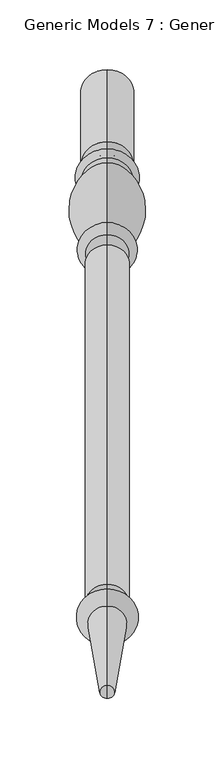
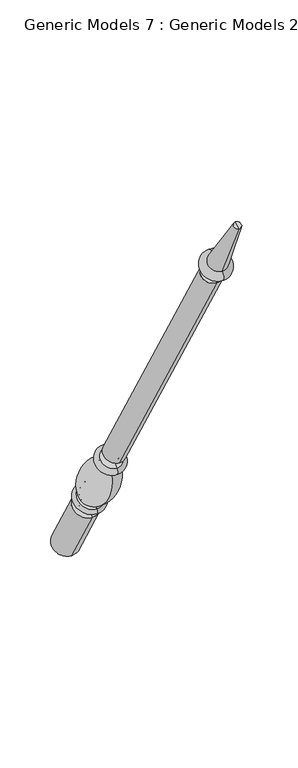
"""IFC4 building model written with IfcOpenShell, lengths in millimetres: proxy geometry, Generic Models 7 : Generic Models 2."""

from ifc_helpers import new_model, si_unit, point, frame, origin, place, context, project, spatial, polyline, circle_curve, ellipse_curve, trimmed, source, transform, mapped, element, save
from ifc_brep_helpers import plane_surface, cylinder_surface, revolved_surface, advanced_brep


def generic_models_7_generic_models_2_111973ee(model_context):
    return source(origin(), model_context, "Body", "AdvancedBrep", [
        advanced_brep(
        [(-1721.2684498, 1861.1601077, 610.5814746), (-1721.2684498, 1828.1645398, 591.5314746), (-1721.2684498, 1880.0576333, 501.65), (-1721.2684498, 1913.0532012, 520.7), (-1721.2684498, 1853.6896456, 623.5206944), (-1721.2684498, 1820.6940777, 604.4706944), (-1721.2684498, 1849.5864045, 630.6277165), (-1721.2684498, 1816.5908366, 611.5777165), (-1721.2684498, 1845.9182158, 636.9812058), (-1721.2684498, 1812.9226479, 617.9312058), (-1721.2684498, 1801.1569262, 703.055156), (-1721.2684498, 1778.0815733, 689.7325947), (-1721.2684498, 1799.8610191, 710.4046105), (-1721.2684498, 1772.3647125, 694.5296105), (-1721.2684498, 1794.1590629, 720.2806883), (-1721.2684498, 1766.6627563, 704.4056883), (-1721.2684498, 1786.7732215, 733.0733408), (-1721.2684498, 1759.276915, 717.1983408), (-1721.2684498, 1542.2982215, 1156.516462), (-1721.2684498, 1514.801915, 1140.641462), (-1721.2684498, 1537.2251467, 1153.5875209), (-1721.2684498, 1519.8749898, 1143.5704031), (-1721.2684498, 1531.1910418, 1164.0388972), (-1721.2684498, 1513.8408848, 1154.0217794), (-1721.2684498, 1534.7597609, 1166.0992981), (-1721.2684498, 1510.2721658, 1151.9613785), (-1721.2684498, 1526.5847892, 1180.2587644), (-1721.2684498, 1502.0971941, 1166.1208448), (-1721.2684498, 1469.4852742, 1261.8053229), (-1721.2684498, 1460.0255603, 1256.3437545), (-1721.2684498, 1464.7554173, 1259.0745387), (-1721.2684498, 1896.5554173, 511.175)],
        [
            (0, 1, circle_curve(frame((-1721.2684498, 1844.6623237, 601.0564746), z_axis=(0.0, 0.5000000000000062, -0.8660254037844352), x_axis=(0.0, -0.8660254037844352, -0.5000000000000062)), 19.05)),
            (1, 2),
            (2, 3, circle_curve(frame((-1721.2684498, 1896.5554173, 511.175), z_axis=(0.0, -0.5000000000000062, 0.8660254037844352), x_axis=(0.0, -0.8660254037844352, -0.5000000000000062)), 19.05)),
            (3, 0),
            (1, 0, circle_curve(frame((-1721.2684498, 1844.6623237, 601.0564746), z_axis=(0.0, 0.5000000000000062, -0.8660254037844352), x_axis=(0.0, -0.8660254037844352, -0.5000000000000062)), 19.05)),
            (3, 2, circle_curve(frame((-1721.2684498, 1896.5554173, 511.175), z_axis=(0.0, -0.5000000000000062, 0.8660254037844352), x_axis=(0.0, -0.8660254037844352, -0.5000000000000062)), 19.05)),
            (4, 5, circle_curve(frame((-1721.2684498, 1837.1918617, 613.9956944), z_axis=(0.0, 0.5000000000000062, -0.8660254037844352), x_axis=(0.0, -0.8660254037844352, -0.5000000000000062)), 19.05)),
            (5, 1, circle_curve(frame((-1721.2684498, 1821.8102989, 596.4889985), z_axis=(-1.0, 0.0, 0.0), x_axis=(0.0, 0.8660254037844352, 0.5000000000000062)), 8.0593685)),
            (0, 4, circle_curve(frame((-1721.2684498, 1860.0438865, 618.5631706), z_axis=(-1.0, 0.0, 0.0), x_axis=(0.0, -0.8660254037844352, -0.5000000000000062)), 8.0593685)),
            (5, 4, circle_curve(frame((-1721.2684498, 1837.1918617, 613.9956944), z_axis=(0.0, 0.5000000000000062, -0.8660254037844352), x_axis=(0.0, -0.8660254037844352, -0.5000000000000062)), 19.05)),
            (6, 7, circle_curve(frame((-1721.2684498, 1833.0886205, 621.1027165), z_axis=(0.0, 0.5000000000000062, -0.8660254037844352), x_axis=(0.0, -0.8660254037844352, -0.5000000000000062)), 19.05)),
            (7, 5, circle_curve(frame((-1721.2684498, 1818.6424572, 608.0242055), z_axis=(1.0, 0.0, 0.0), x_axis=(0.0, 0.8660254037844352, 0.5000000000000062)), 4.1032411)),
            (4, 6, circle_curve(frame((-1721.2684498, 1851.638025, 627.0742055), z_axis=(1.0, 0.0, 0.0), x_axis=(0.0, -0.8660254037844352, -0.5000000000000062)), 4.1032411)),
            (7, 6, circle_curve(frame((-1721.2684498, 1833.0886205, 621.1027165), z_axis=(0.0, 0.5000000000000062, -0.8660254037844352), x_axis=(0.0, -0.8660254037844352, -0.5000000000000062)), 19.05)),
            (8, 9, circle_curve(frame((-1721.2684498, 1829.4204318, 627.4562058), z_axis=(0.0, 0.5000000000000062, -0.8660254037844352), x_axis=(0.0, -0.8660254037844352, -0.5000000000000062)), 19.05)),
            (9, 7, circle_curve(frame((-1721.2684498, 1813.3633086, 613.9499618), z_axis=(-1.0, 0.0, 0.0), x_axis=(0.0, 0.8660254037844352, 0.5000000000000062)), 4.0055568)),
            (6, 8, circle_curve(frame((-1721.2684498, 1849.1457438, 634.6089605), z_axis=(-1.0, 0.0, 0.0), x_axis=(0.0, -0.8660254037844352, -0.5000000000000062)), 4.0055568)),
            (9, 8, circle_curve(frame((-1721.2684498, 1829.4204318, 627.4562058), z_axis=(0.0, 0.5000000000000062, -0.8660254037844352), x_axis=(0.0, -0.8660254037844352, -0.5000000000000062)), 19.05)),
            (10, 11, circle_curve(frame((-1721.2684498, 1789.6192497, 696.3938754), z_axis=(0.0, 0.5000000000000062, -0.8660254037844352), x_axis=(0.0, -0.8660254037844352, -0.5000000000000062)), 13.3225612)),
            (11, 9, circle_curve(frame((-1721.2684498, 1854.1299968, 682.2806335), z_axis=(1.0, 0.0, 0.0), x_axis=(0.0, 0.8660254037844352, 0.5000000000000062)), 76.412659)),
            (8, 10, circle_curve(frame((-1721.2684498, 1769.5863022, 633.4693086), z_axis=(1.0, 0.0, 0.0), x_axis=(0.0, -0.8660254037844352, -0.5000000000000062)), 76.412659)),
            (11, 10, circle_curve(frame((-1721.2684498, 1789.6192497, 696.3938754), z_axis=(0.0, 0.5000000000000062, -0.8660254037844352), x_axis=(0.0, -0.8660254037844352, -0.5000000000000062)), 13.3225612)),
            (12, 13, circle_curve(frame((-1721.2684498, 1786.1128658, 702.4671105), z_axis=(0.0, 0.5000000000000062, -0.8660254037844352), x_axis=(0.0, -0.8660254037844352, -0.5000000000000062)), 15.875)),
            (13, 11, circle_curve(frame((-1721.2684498, 1773.4069828, 689.9666873), z_axis=(-1.0, 0.0, 0.0), x_axis=(0.0, 0.8660254037844352, 0.5000000000000062)), 4.6804482)),
            (10, 12, circle_curve(frame((-1721.2684498, 1803.2914914, 707.2205164), z_axis=(-1.0, 0.0, 0.0), x_axis=(0.0, -0.8660254037844352, -0.5000000000000062)), 4.6804482)),
            (13, 12, circle_curve(frame((-1721.2684498, 1786.1128658, 702.4671105), z_axis=(0.0, 0.5000000000000062, -0.8660254037844352), x_axis=(0.0, -0.8660254037844352, -0.5000000000000062)), 15.875)),
            (14, 15, circle_curve(frame((-1721.2684498, 1780.4109096, 712.3431883), z_axis=(0.0, 0.5000000000000062, -0.8660254037844352), x_axis=(0.0, -0.8660254037844352, -0.5000000000000062)), 15.875)),
            (15, 13, circle_curve(frame((-1721.2684498, 1769.5137344, 699.4676494), z_axis=(1.0, 0.0, 0.0), x_axis=(0.0, 0.8660254037844352, 0.5000000000000062)), 5.7019562)),
            (12, 14, circle_curve(frame((-1721.2684498, 1797.010041, 715.3426494), z_axis=(1.0, 0.0, 0.0), x_axis=(0.0, -0.8660254037844352, -0.5000000000000062)), 5.7019562)),
            (15, 14, circle_curve(frame((-1721.2684498, 1780.4109096, 712.3431883), z_axis=(0.0, 0.5000000000000062, -0.8660254037844352), x_axis=(0.0, -0.8660254037844352, -0.5000000000000062)), 15.875)),
            (16, 17, circle_curve(frame((-1721.2684498, 1773.0250683, 725.1358408), z_axis=(0.0, 0.5000000000000062, -0.8660254037844352), x_axis=(0.0, -0.8660254037844352, -0.5000000000000062)), 15.875)),
            (17, 15, circle_curve(frame((-1721.2684498, 1762.9698356, 710.8020145), z_axis=(-1.0, 0.0, 0.0), x_axis=(0.0, 0.8660254037844352, 0.5000000000000062)), 7.3858413)),
            (14, 16, circle_curve(frame((-1721.2684498, 1790.4661422, 726.6770145), z_axis=(-1.0, 0.0, 0.0), x_axis=(0.0, -0.8660254037844352, -0.5000000000000062)), 7.3858413)),
            (17, 16, circle_curve(frame((-1721.2684498, 1773.0250683, 725.1358408), z_axis=(0.0, 0.5000000000000062, -0.8660254037844352), x_axis=(0.0, -0.8660254037844352, -0.5000000000000062)), 15.875)),
            (18, 19, circle_curve(frame((-1721.2684498, 1528.5500683, 1148.578962), z_axis=(0.0, 0.5000000000000062, -0.8660254037844352), x_axis=(0.0, -0.8660254037844352, -0.5000000000000062)), 15.875)),
            (19, 17),
            (16, 18),
            (19, 18, circle_curve(frame((-1721.2684498, 1528.5500683, 1148.578962), z_axis=(0.0, 0.5000000000000062, -0.8660254037844352), x_axis=(0.0, -0.8660254037844352, -0.5000000000000062)), 15.875)),
            (20, 21, circle_curve(frame((-1721.2684498, 1528.5500683, 1148.578962), z_axis=(0.0, 0.5000000000000062, -0.8660254037844352), x_axis=(0.0, -0.8660254037844352, -0.5000000000000062)), 10.0171178)),
            (21, 19),
            (18, 20),
            (21, 20, circle_curve(frame((-1721.2684498, 1528.5500683, 1148.578962), z_axis=(0.0, 0.5000000000000062, -0.8660254037844352), x_axis=(0.0, -0.8660254037844352, -0.5000000000000062)), 10.0171178)),
            (22, 23, circle_curve(frame((-1721.2684498, 1522.5159633, 1159.0303383), z_axis=(0.0, 0.5000000000000062, -0.8660254037844352), x_axis=(0.0, -0.8660254037844352, -0.5000000000000062)), 10.0171178)),
            (23, 21, circle_curve(frame((-1721.2684498, 1515.3020818, 1147.8978177), z_axis=(-1.0, 0.0, 0.0), x_axis=(0.0, 0.8660254037844352, 0.5000000000000062)), 6.295872)),
            (20, 22, circle_curve(frame((-1721.2684498, 1535.7639497, 1159.7114826), z_axis=(-1.0, 0.0, 0.0), x_axis=(0.0, -0.8660254037844352, -0.5000000000000062)), 6.295872)),
            (23, 22, circle_curve(frame((-1721.2684498, 1522.5159633, 1159.0303383), z_axis=(0.0, 0.5000000000000062, -0.8660254037844352), x_axis=(0.0, -0.8660254037844352, -0.5000000000000062)), 10.0171178)),
            (24, 25, circle_curve(frame((-1721.2684498, 1522.5159633, 1159.0303383), z_axis=(0.0, 0.5000000000000062, -0.8660254037844352), x_axis=(0.0, -0.8660254037844352, -0.5000000000000062)), 14.1379196)),
            (25, 23),
            (22, 24),
            (25, 24, circle_curve(frame((-1721.2684498, 1522.5159633, 1159.0303383), z_axis=(0.0, 0.5000000000000062, -0.8660254037844352), x_axis=(0.0, -0.8660254037844352, -0.5000000000000062)), 14.1379196)),
            (26, 27, circle_curve(frame((-1721.2684498, 1514.3409916, 1173.1898046), z_axis=(0.0, 0.5000000000000062, -0.8660254037844352), x_axis=(0.0, -0.8660254037844352, -0.5000000000000062)), 14.1379196)),
            (27, 25, circle_curve(frame((-1721.2684498, 1506.1846799, 1159.0411116), z_axis=(1.0, 0.0, 0.0), x_axis=(0.0, 0.8660254037844352, 0.5000000000000062)), 8.1749717)),
            (24, 26, circle_curve(frame((-1721.2684498, 1530.672275, 1173.1790313), z_axis=(1.0, 0.0, 0.0), x_axis=(0.0, -0.8660254037844352, -0.5000000000000062)), 8.1749717)),
            (27, 26, circle_curve(frame((-1721.2684498, 1514.3409916, 1173.1898046), z_axis=(0.0, 0.5000000000000062, -0.8660254037844352), x_axis=(0.0, -0.8660254037844352, -0.5000000000000062)), 14.1379196)),
            (28, 29, circle_curve(frame((-1721.2684498, 1464.7554173, 1259.0745387), z_axis=(0.0, 0.5000000000000062, -0.8660254037844352), x_axis=(0.0, -0.8660254037844352, -0.5000000000000062)), 5.4615684)),
            (29, 27),
            (26, 28),
            (29, 28, circle_curve(frame((-1721.2684498, 1464.7554173, 1259.0745387), z_axis=(0.0, 0.5000000000000062, -0.8660254037844352), x_axis=(0.0, -0.8660254037844352, -0.5000000000000062)), 5.4615684)),
            (30, 29),
            (28, 30),
            (2, 31),
            (31, 3),
        ],
        [
            cylinder_surface(frame((-1721.2684498, 1464.7554173, 1259.0745387), z_axis=(0.0, -0.5000000000000062, 0.8660254037844352), x_axis=(0.0, -0.8660254037844352, -0.5000000000000062)), 19.05),
            revolved_surface(trimmed(ellipse_curve(frame((-1721.2684498, 1821.8102989, 596.4889985), z_axis=(1.0, 0.0, 0.0), x_axis=(0.0, 0.8660254037844352, 0.5000000000000062)), 8.0593685, 8.0593685), [point((-1721.2684498, 1828.1645398, 591.5314746))], [point((-1721.2684498, 1820.6940777, 604.4706944))], True, "CARTESIAN"), (-1721.2684498, 1464.7554173, 1259.0745387), (0.0, -0.5000000000000062, 0.8660254037844352)),
            revolved_surface(trimmed(ellipse_curve(frame((-1721.2684498, 1818.6424572, 608.0242055), z_axis=(-1.0, 0.0, 0.0), x_axis=(0.0, 0.8660254037844352, 0.5000000000000062)), 4.1032411, 4.1032411), [point((-1721.2684498, 1820.6940777, 604.4706944))], [point((-1721.2684498, 1816.5908366, 611.5777165))], True, "CARTESIAN"), (-1721.2684498, 1464.7554173, 1259.0745387), (0.0, -0.5000000000000062, 0.8660254037844352)),
            revolved_surface(trimmed(ellipse_curve(frame((-1721.2684498, 1813.3633086, 613.9499618), z_axis=(1.0, 0.0, 0.0), x_axis=(0.0, 0.8660254037844352, 0.5000000000000062)), 4.0055568, 4.0055568), [point((-1721.2684498, 1816.5908366, 611.5777165))], [point((-1721.2684498, 1812.9226479, 617.9312058))], True, "CARTESIAN"), (-1721.2684498, 1464.7554173, 1259.0745387), (0.0, -0.5000000000000062, 0.8660254037844352)),
            revolved_surface(trimmed(ellipse_curve(frame((-1721.2684498, 1854.1299968, 682.2806335), z_axis=(-1.0, 0.0, 0.0), x_axis=(0.0, 0.8660254037844352, 0.5000000000000062)), 76.412659, 76.412659), [point((-1721.2684498, 1812.9226479, 617.9312058))], [point((-1721.2684498, 1778.0815733, 689.7325947))], True, "CARTESIAN"), (-1721.2684498, 1464.7554173, 1259.0745387), (0.0, -0.5000000000000062, 0.8660254037844352)),
            revolved_surface(trimmed(ellipse_curve(frame((-1721.2684498, 1773.4069828, 689.9666873), z_axis=(1.0, 0.0, 0.0), x_axis=(0.0, 0.8660254037844352, 0.5000000000000062)), 4.6804482, 4.6804482), [point((-1721.2684498, 1778.0815733, 689.7325947))], [point((-1721.2684498, 1772.3647125, 694.5296105))], True, "CARTESIAN"), (-1721.2684498, 1464.7554173, 1259.0745387), (0.0, -0.5000000000000062, 0.8660254037844352)),
            revolved_surface(trimmed(ellipse_curve(frame((-1721.2684498, 1769.5137344, 699.4676494), z_axis=(-1.0, 0.0, 0.0), x_axis=(0.0, 0.8660254037844352, 0.5000000000000062)), 5.7019562, 5.7019562), [point((-1721.2684498, 1772.3647125, 694.5296105))], [point((-1721.2684498, 1766.6627563, 704.4056883))], True, "CARTESIAN"), (-1721.2684498, 1464.7554173, 1259.0745387), (0.0, -0.5000000000000062, 0.8660254037844352)),
            revolved_surface(trimmed(ellipse_curve(frame((-1721.2684498, 1762.9698356, 710.8020145), z_axis=(1.0, 0.0, 0.0), x_axis=(0.0, 0.8660254037844352, 0.5000000000000062)), 7.3858413, 7.3858413), [point((-1721.2684498, 1766.6627563, 704.4056883))], [point((-1721.2684498, 1759.276915, 717.1983408))], True, "CARTESIAN"), (-1721.2684498, 1464.7554173, 1259.0745387), (0.0, -0.5000000000000062, 0.8660254037844352)),
            cylinder_surface(frame((-1721.2684498, 1464.7554173, 1259.0745387), z_axis=(0.0, -0.5000000000000062, 0.8660254037844352), x_axis=(0.0, -0.8660254037844352, -0.5000000000000062)), 15.875),
            plane_surface(frame((-1721.2684498, 1528.5500683, 1148.578962), z_axis=(0.0, -0.5000000000000062, 0.8660254037844352), x_axis=(0.0, -0.8660254037844352, -0.5000000000000062))),
            revolved_surface(trimmed(ellipse_curve(frame((-1721.2684498, 1515.3020818, 1147.8978177), z_axis=(1.0, 0.0, 0.0), x_axis=(0.0, 0.8660254037844352, 0.5000000000000062)), 6.295872, 6.295872), [point((-1721.2684498, 1519.8749898, 1143.5704031))], [point((-1721.2684498, 1513.8408848, 1154.0217794))], True, "CARTESIAN"), (-1721.2684498, 1464.7554173, 1259.0745387), (0.0, -0.5000000000000062, 0.8660254037844352)),
            plane_surface(frame((-1721.2684498, 1522.5159633, 1159.0303383), z_axis=(0.0, 0.5000000000000062, -0.8660254037844352), x_axis=(0.0, -0.8660254037844352, -0.5000000000000062))),
            revolved_surface(trimmed(ellipse_curve(frame((-1721.2684498, 1506.1846799, 1159.0411116), z_axis=(-1.0, 0.0, 0.0), x_axis=(0.0, 0.8660254037844352, 0.5000000000000062)), 8.1749717, 8.1749717), [point((-1721.2684498, 1510.2721658, 1151.9613785))], [point((-1721.2684498, 1502.0971941, 1166.1208448))], True, "CARTESIAN"), (-1721.2684498, 1464.7554173, 1259.0745387), (0.0, -0.5000000000000062, 0.8660254037844352)),
            revolved_surface(polyline([(-1721.2684498, 1502.0971941, 1166.1208448), (-1721.2684498, 1460.0255603, 1256.3437545)]), (-1721.2684498, 1464.7554173, 1259.0745387), (0.0, -0.5000000000000062, 0.8660254037844352)),
            plane_surface(frame((-1721.2684498, 1464.7554173, 1259.0745387), z_axis=(0.0, -0.5000000000000062, 0.8660254037844352), x_axis=(0.0, -0.8660254037844352, -0.5000000000000062))),
            plane_surface(frame((-1721.2684498, 1896.5554173, 511.175), z_axis=(0.0, 0.5000000000000062, -0.8660254037844352), x_axis=(0.0, -0.8660254037844352, -0.5000000000000062))),
        ],
        [
            (0, [[1, 2, 3, 4]]),
            (0, [[5, -4, 6, -2]]),
            (1, [[7, 8, -1, 9]]),
            (1, [[10, -9, -5, -8]]),
            (2, [[11, 12, -7, 13]]),
            (2, [[14, -13, -10, -12]]),
            (3, [[15, 16, -11, 17]]),
            (3, [[18, -17, -14, -16]]),
            (4, [[19, 20, -15, 21]]),
            (4, [[22, -21, -18, -20]]),
            (5, [[23, 24, -19, 25]]),
            (5, [[26, -25, -22, -24]]),
            (6, [[27, 28, -23, 29]]),
            (6, [[30, -29, -26, -28]]),
            (7, [[31, 32, -27, 33]]),
            (7, [[34, -33, -30, -32]]),
            (8, [[35, 36, -31, 37]]),
            (8, [[38, -37, -34, -36]]),
            (9, [[39, 40, -35, 41]]),
            (9, [[42, -41, -38, -40]]),
            (10, [[43, 44, -39, 45]]),
            (10, [[46, -45, -42, -44]]),
            (11, [[47, 48, -43, 49]]),
            (11, [[50, -49, -46, -48]]),
            (12, [[51, 52, -47, 53]]),
            (12, [[54, -53, -50, -52]]),
            (13, [[55, 56, -51, 57]]),
            (13, [[58, -57, -54, -56]]),
            (14, [[59, -55, 60]]),
            (14, [[-60, -58, -59]]),
            (15, [[-3, 61, 62]]),
            (15, [[-6, -62, -61]]),
        ],
    ),
    ])


if __name__ == "__main__":
    model = new_model("IFC4")
    model_context = context("Model", 3, world=origin())
    ifc_project = project(units=[si_unit("LENGTHUNIT", "METRE", prefix="MILLI")], contexts=[model_context])
    site = spatial("IfcSite", under=ifc_project)
    building = spatial("IfcBuilding", under=site)
    placement = place(None, origin())
    generic_models_7_generic_models_2_shape = generic_models_7_generic_models_2_111973ee(model_context)
    element("IfcBuildingElementProxy", 1, Name="Generic Models 7 : Generic Models 2", ObjectType="Generic Models 7 : Generic Models 2", at=placement, inside=building, context=model_context, shape_type="MappedRepresentation", body=[
        mapped(generic_models_7_generic_models_2_shape, transform((0.0, 0.0, 0.0), x_axis=(1.0, 0.0, 0.0), y_axis=(0.0, 1.0, 0.0), z_axis=(0.0, 0.0, 1.0))),
    ])
    save(model, "model.ifc")
